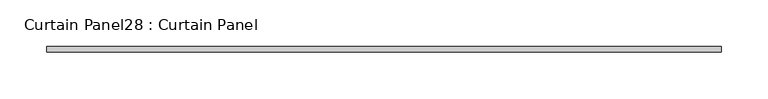
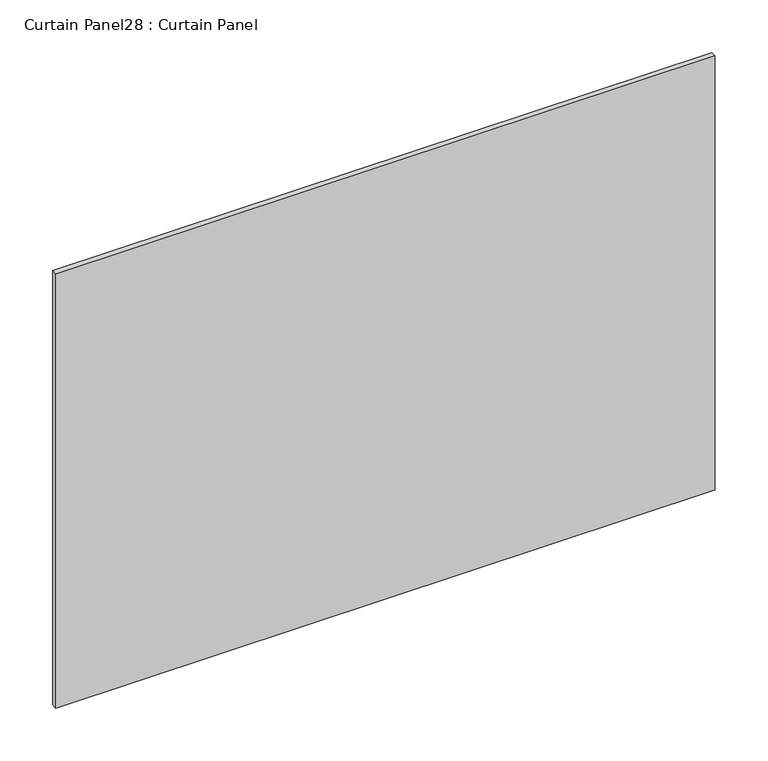
"""IFC4 building model written with IfcOpenShell, lengths in millimetres: plate geometry, Curtain Panel28 : Curtain Panel."""

from ifc_helpers import new_model, si_unit, frame, origin, place, context, project, spatial, polyline, outline, extrude, source, transform, mapped, element, save


def curtain_panel28_curtain_panel_37e4c3b0(model_context):
    return source(origin(), model_context, "Body", "SweptSolid", [
        extrude(outline(polyline([(3965.1153718, 3568.3617926), (3240.5623895, 3568.3617926), (3240.5623895, 3574.7117926), (3965.1153718, 3574.7117926), (3965.1153718, 3568.3617926)])), frame((0.0, 0.0, 2020.998625), z_axis=(0.0, 0.0, 1.0), x_axis=(1.0, 0.0, 0.0)), (0.0, 0.0, 1.0), 504.60275),
    ])


if __name__ == "__main__":
    model = new_model("IFC4")
    model_context = context("Model", 3, world=origin())
    ifc_project = project(units=[si_unit("LENGTHUNIT", "METRE", prefix="MILLI")], contexts=[model_context])
    site = spatial("IfcSite", under=ifc_project)
    building = spatial("IfcBuilding", under=site)
    placement = place(None, origin())
    curtain_panel28_curtain_panel_shape = curtain_panel28_curtain_panel_37e4c3b0(model_context)
    element("IfcPlate", 1, ObjectType="Curtain Panel28 : Curtain Panel", at=placement, inside=building, context=model_context, shape_type="MappedRepresentation", body=[
        mapped(curtain_panel28_curtain_panel_shape, transform((0.0, 0.0, 0.0), x_axis=(1.0, 0.0, 0.0), y_axis=(0.0, 1.0, 0.0), z_axis=(0.0, 0.0, 1.0))),
    ])
    save(model, "model.ifc")
